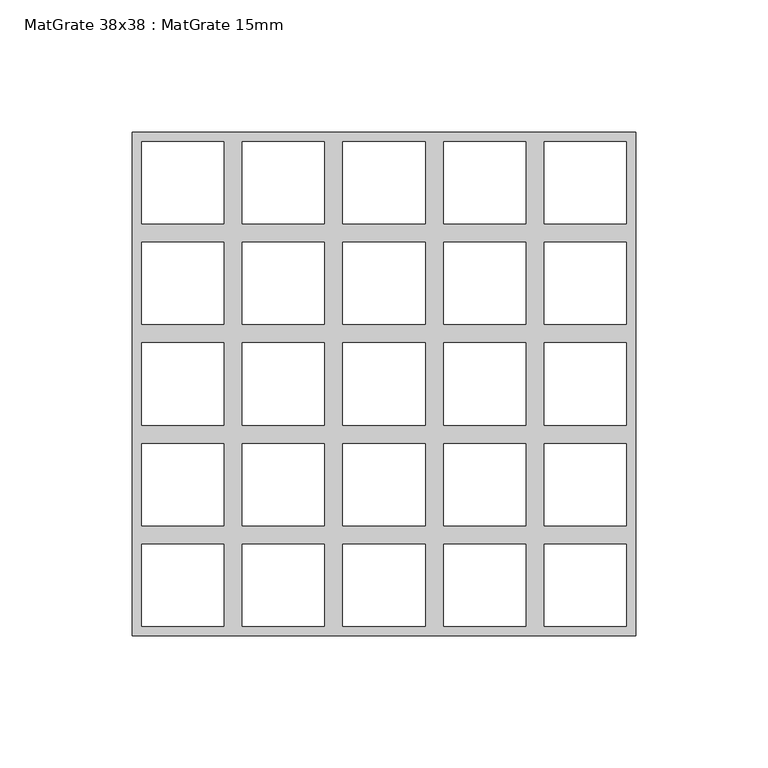
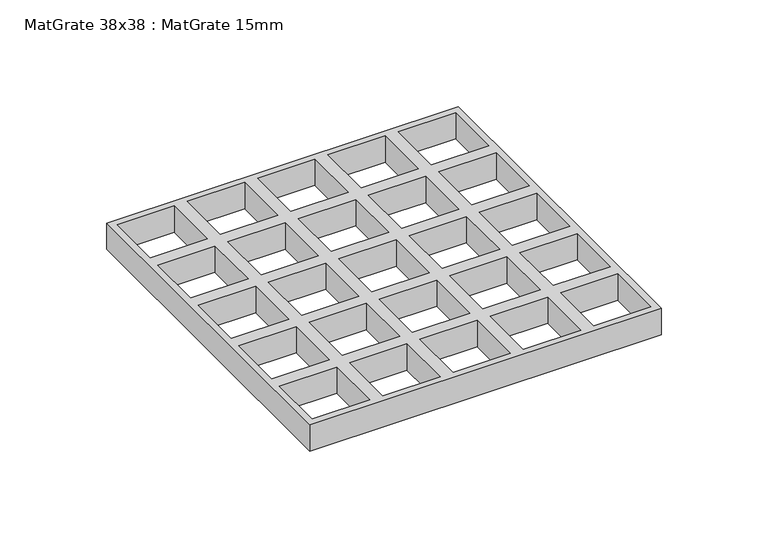
"""IFC4 building model written with IfcOpenShell, lengths in millimetres: proxy geometry, MatGrate 38x38 : MatGrate 15mm."""

from ifc_helpers import new_model, si_unit, origin, origin_with_axes, place, context, project, spatial, polyline, outline, extrude, source, transform, mapped, element, save


def matgrate_38x38_matgrate_15mm_418f1df2(model_context):
    return source(origin(), model_context, "Body", "SweptSolid", [
        extrude(outline(polyline([(95.0, -95.0), (-95.0, -95.0), (-95.0, 95.0), (95.0, 95.0), (95.0, -95.0)]), holes=[polyline([(91.5, 60.5), (91.5, 91.5), (60.5, 91.5), (60.5, 60.5), (91.5, 60.5)]), polyline([(60.5, 53.5), (60.5, 22.5), (91.5, 22.5), (91.5, 53.5), (60.5, 53.5)]), polyline([(60.5, 15.5), (60.5, -15.5), (91.5, -15.5), (91.5, 15.5), (60.5, 15.5)]), polyline([(60.5, -22.5), (60.5, -53.5), (91.5, -53.5), (91.5, -22.5), (60.5, -22.5)]), polyline([(60.5, -60.5), (60.5, -91.5), (91.5, -91.5), (91.5, -60.5), (60.5, -60.5)]), polyline([(53.5, -60.5), (22.5, -60.5), (22.5, -91.5), (53.5, -91.5), (53.5, -60.5)]), polyline([(15.5, -60.5), (-15.5, -60.5), (-15.5, -91.5), (15.5, -91.5), (15.5, -60.5)]), polyline([(-22.5, -60.5), (-53.5, -60.5), (-53.5, -91.5), (-22.5, -91.5), (-22.5, -60.5)]), polyline([(-60.5, -60.5), (-91.5, -60.5), (-91.5, -91.5), (-60.5, -91.5), (-60.5, -60.5)]), polyline([(-91.5, 60.5), (-60.5, 60.5), (-60.5, 91.5), (-91.5, 91.5), (-91.5, 60.5)]), polyline([(-53.5, 60.5), (-22.5, 60.5), (-22.5, 91.5), (-53.5, 91.5), (-53.5, 60.5)]), polyline([(-15.5, 60.5), (15.5, 60.5), (15.5, 91.5), (-15.5, 91.5), (-15.5, 60.5)]), polyline([(22.5, 60.5), (53.5, 60.5), (53.5, 91.5), (22.5, 91.5), (22.5, 60.5)]), polyline([(-91.5, 53.5), (-91.5, 22.5), (-60.5, 22.5), (-60.5, 53.5), (-91.5, 53.5)]), polyline([(-53.5, 53.5), (-53.5, 22.5), (-22.5, 22.5), (-22.5, 53.5), (-53.5, 53.5)]), polyline([(-15.5, 53.5), (-15.5, 22.5), (15.5, 22.5), (15.5, 53.5), (-15.5, 53.5)]), polyline([(22.5, 53.5), (22.5, 22.5), (53.5, 22.5), (53.5, 53.5), (22.5, 53.5)]), polyline([(-91.5, 15.5), (-91.5, -15.5), (-60.5, -15.5), (-60.5, 15.5), (-91.5, 15.5)]), polyline([(-53.5, 15.5), (-53.5, -15.5), (-22.5, -15.5), (-22.5, 15.5), (-53.5, 15.5)]), polyline([(-15.5, 15.5), (-15.5, -15.5), (15.5, -15.5), (15.5, 15.5), (-15.5, 15.5)]), polyline([(22.5, 15.5), (22.5, -15.5), (53.5, -15.5), (53.5, 15.5), (22.5, 15.5)]), polyline([(-91.5, -22.5), (-91.5, -53.5), (-60.5, -53.5), (-60.5, -22.5), (-91.5, -22.5)]), polyline([(-53.5, -22.5), (-53.5, -53.5), (-22.5, -53.5), (-22.5, -22.5), (-53.5, -22.5)]), polyline([(-15.5, -22.5), (-15.5, -53.5), (15.5, -53.5), (15.5, -22.5), (-15.5, -22.5)]), polyline([(22.5, -22.5), (22.5, -53.5), (53.5, -53.5), (53.5, -22.5), (22.5, -22.5)])]), origin_with_axes(), (0.0, 0.0, 1.0), 15.0),
    ])


if __name__ == "__main__":
    model = new_model("IFC4")
    model_context = context("Model", 3, world=origin())
    ifc_project = project(units=[si_unit("LENGTHUNIT", "METRE", prefix="MILLI")], contexts=[model_context])
    site = spatial("IfcSite", under=ifc_project)
    building = spatial("IfcBuilding", under=site)
    placement = place(None, origin())
    matgrate_38x38_matgrate_15mm_shape = matgrate_38x38_matgrate_15mm_418f1df2(model_context)
    element("IfcBuildingElementProxy", 1, Name="MatGrate 38x38 : MatGrate 15mm", ObjectType="MatGrate 38x38 : MatGrate 15mm", at=placement, inside=building, context=model_context, shape_type="MappedRepresentation", body=[
        mapped(matgrate_38x38_matgrate_15mm_shape, transform((0.0, 0.0, 0.0), x_axis=(1.0, 0.0, 0.0), y_axis=(0.0, 1.0, 0.0), z_axis=(0.0, 0.0, 1.0))),
    ])
    save(model, "model.ifc")
